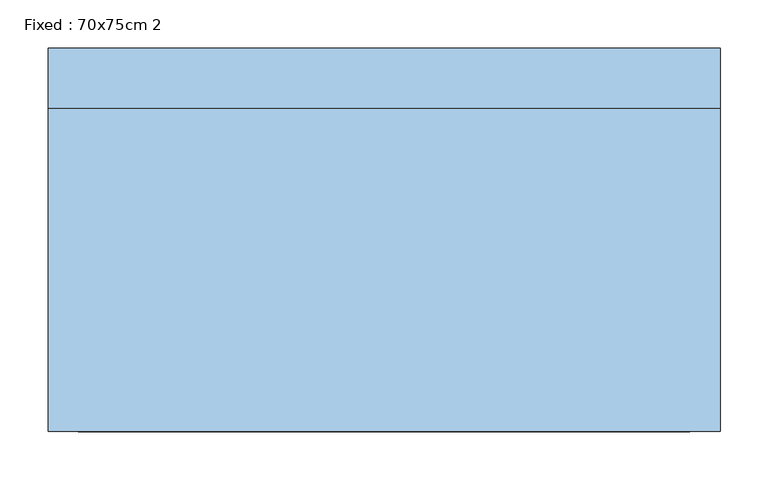
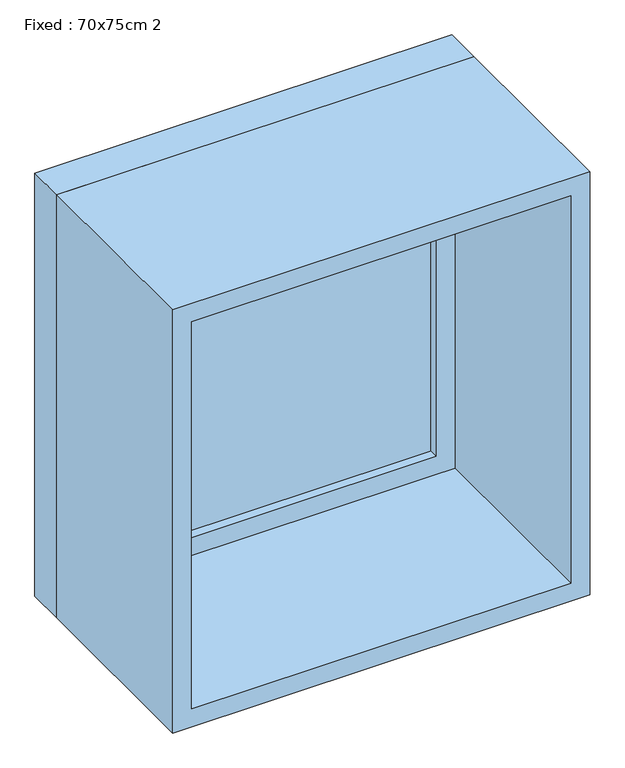
"""IFC4 building model written with IfcOpenShell, lengths in millimetres: window geometry, Fixed : 70x75cm 2."""

from ifc_helpers import new_model, si_unit, frame, origin, place, context, project, spatial, polyline, outline, extrude, source, transform, mapped, element, save


def fixed_70x75cm_2_a0ea4add(model_context):
    return source(origin(), model_context, "Body", "SweptSolid", [
        extrude(outline(polyline([(248.4, 152.375), (-324.6, 152.375), (-324.6, 165.075), (248.4, 165.075), (248.4, 152.375)])), frame((0.0, 0.0, 763.5), z_axis=(0.0, 0.0, 1.0), x_axis=(1.0, 0.0, 0.0)), (0.0, 0.0, 1.0), 623.0),
        extrude(outline(polyline([(1430.95, -369.05), (719.05, -369.05), (719.05, 292.85), (1430.95, 292.85), (1430.95, -369.05)]), holes=[polyline([(1386.5, -324.6), (1386.5, 248.4), (763.5, 248.4), (763.5, -324.6), (1386.5, -324.6)])]), frame((0.0, 136.5, 0.0), z_axis=(0.0, 1.0, 0.0), x_axis=(0.0, 0.0, 1.0)), (0.0, 0.0, 1.0), 44.45),
        extrude(outline(polyline([(1450.0, -388.1), (700.0, -388.1), (700.0, 311.9), (1450.0, 311.9), (1450.0, -388.1)]), holes=[polyline([(1418.25, -356.35), (1418.25, 280.15), (731.75, 280.15), (731.75, -356.35), (1418.25, -356.35)])]), frame((0.0, -200.0, 0.0), z_axis=(0.0, 1.0, 0.0), x_axis=(0.0, 0.0, 1.0)), (0.0, 0.0, 1.0), 336.5),
        extrude(outline(polyline([(1450.0, 311.9), (1450.0, -388.1), (700.0, -388.1), (700.0, 311.9), (1450.0, 311.9)]), holes=[polyline([(1430.95, 292.85), (719.05, 292.85), (719.05, -369.05), (1430.95, -369.05), (1430.95, 292.85)])]), frame((0.0, 136.5, 0.0), z_axis=(0.0, 1.0, 0.0), x_axis=(0.0, 0.0, 1.0)), (0.0, 0.0, 1.0), 63.5),
    ])


if __name__ == "__main__":
    model = new_model("IFC4")
    model_context = context("Model", 3, world=origin())
    ifc_project = project(units=[si_unit("LENGTHUNIT", "METRE", prefix="MILLI")], contexts=[model_context])
    site = spatial("IfcSite", under=ifc_project)
    building = spatial("IfcBuilding", under=site)
    placement = place(None, origin())
    fixed_70x75cm_2_shape = fixed_70x75cm_2_a0ea4add(model_context)
    element("IfcWindow", 1, ObjectType="Fixed : 70x75cm 2", at=placement, inside=building, context=model_context, shape_type="MappedRepresentation", body=[
        mapped(fixed_70x75cm_2_shape, transform((0.0, 0.0, 0.0), x_axis=(1.0, 0.0, 0.0), y_axis=(0.0, 1.0, 0.0), z_axis=(0.0, 0.0, 1.0))),
    ])
    save(model, "model.ifc")
